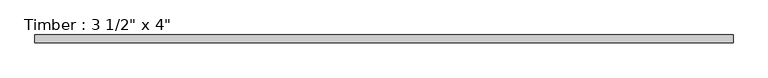
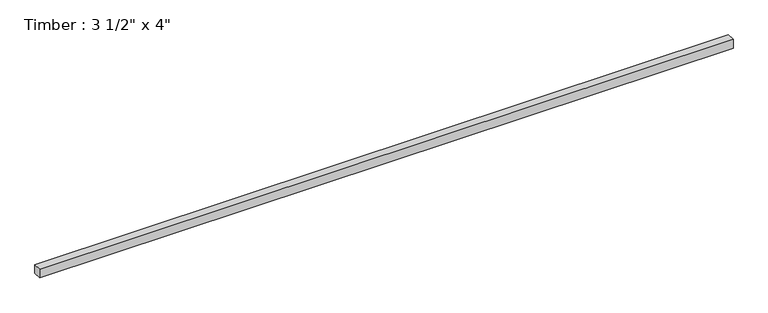
"""IFC4 building model written with IfcOpenShell, lengths in millimetres: beam geometry."""

from ifc_helpers import new_model, si_unit, frame, origin, place, context, project, spatial, polyline, outline, extrude, source, transform, mapped, element, save


def beam_1420297d(model_context):
    return source(origin(), model_context, "Body", "SweptSolid", [
        extrude(outline(polyline([(3871.3323254, -44.45), (-3871.3323254, -44.45), (-3871.3323254, 44.45), (3871.3323254, 44.45), (3871.3323254, -44.45)])), frame((0.0, 0.0, -50.8), z_axis=(0.0, 0.0, 1.0), x_axis=(1.0, 0.0, 0.0)), (0.0, 0.0, 1.0), 101.6),
    ])


if __name__ == "__main__":
    model = new_model("IFC4")
    model_context = context("Model", 3, world=origin())
    ifc_project = project(units=[si_unit("LENGTHUNIT", "METRE", prefix="MILLI")], contexts=[model_context])
    site = spatial("IfcSite", under=ifc_project)
    building = spatial("IfcBuilding", under=site)
    placement = place(None, origin())
    beam_shape = beam_1420297d(model_context)
    element("IfcBeam", 1, ObjectType="Timber : 3 1/2\" x 4\"", at=placement, inside=building, context=model_context, shape_type="MappedRepresentation", body=[
        mapped(beam_shape, transform((0.0, 0.0, 0.0), x_axis=(1.0, 0.0, 0.0), y_axis=(0.0, 1.0, 0.0), z_axis=(0.0, 0.0, 1.0))),
    ])
    save(model, "model.ifc")
